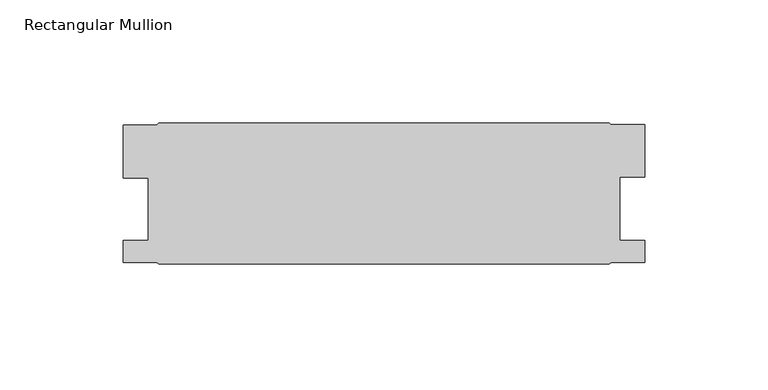
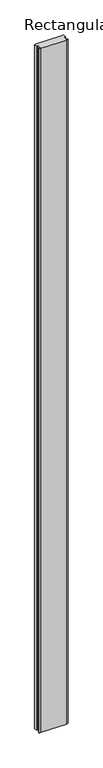
"""IFC4 building model written with IfcOpenShell, lengths in millimetres: member geometry, Rectangular Mullion."""

from ifc_helpers import new_model, si_unit, frame, origin, place, context, project, spatial, polyline, outline, extrude, source, transform, mapped, element, save


def rectangular_mullion_09911d38(model_context):
    return source(origin(), model_context, "Body", "SweptSolid", [
        extrude(outline(polyline([(-100.1793623, -38.0333254), (-100.1793623, -16.602075), (-86.6919624, -16.602075), (-85.9045625, -15.8146751), (96.6709683, -15.8146751), (97.3239175, -16.271875), (110.9457681, -16.271875), (110.9457681, -37.7031252), (100.9127683, -37.7031252), (100.9127683, -63.4333251), (110.9584683, -63.4333251), (110.9584683, -72.1709251), (97.4647283, -72.1709251), (96.6709783, -72.9646751), (-85.9045625, -72.9646751), (-86.6983125, -72.1709251), (-100.1920625, -72.1709251), (-100.1920625, -63.4333251), (-90.1590625, -63.4333251), (-90.1590625, -38.0333254), (-100.1793623, -38.0333254)])), frame((0.0, 0.0, -5259.6598764), z_axis=(0.0, 0.0, 1.0), x_axis=(1.0, 0.0, 0.0)), (0.0, 0.0, 1.0), 5259.6598764),
    ])


if __name__ == "__main__":
    model = new_model("IFC4")
    model_context = context("Model", 3, world=origin())
    ifc_project = project(units=[si_unit("LENGTHUNIT", "METRE", prefix="MILLI")], contexts=[model_context])
    site = spatial("IfcSite", under=ifc_project)
    building = spatial("IfcBuilding", under=site)
    placement = place(None, origin())
    rectangular_mullion_shape = rectangular_mullion_09911d38(model_context)
    element("IfcMember", 1, ObjectType="Rectangular Mullion", at=placement, inside=building, context=model_context, shape_type="MappedRepresentation", body=[
        mapped(rectangular_mullion_shape, transform((0.0, 0.0, 0.0), x_axis=(1.0, 0.0, 0.0), y_axis=(0.0, 1.0, 0.0), z_axis=(0.0, 0.0, 1.0))),
    ])
    save(model, "model.ifc")
